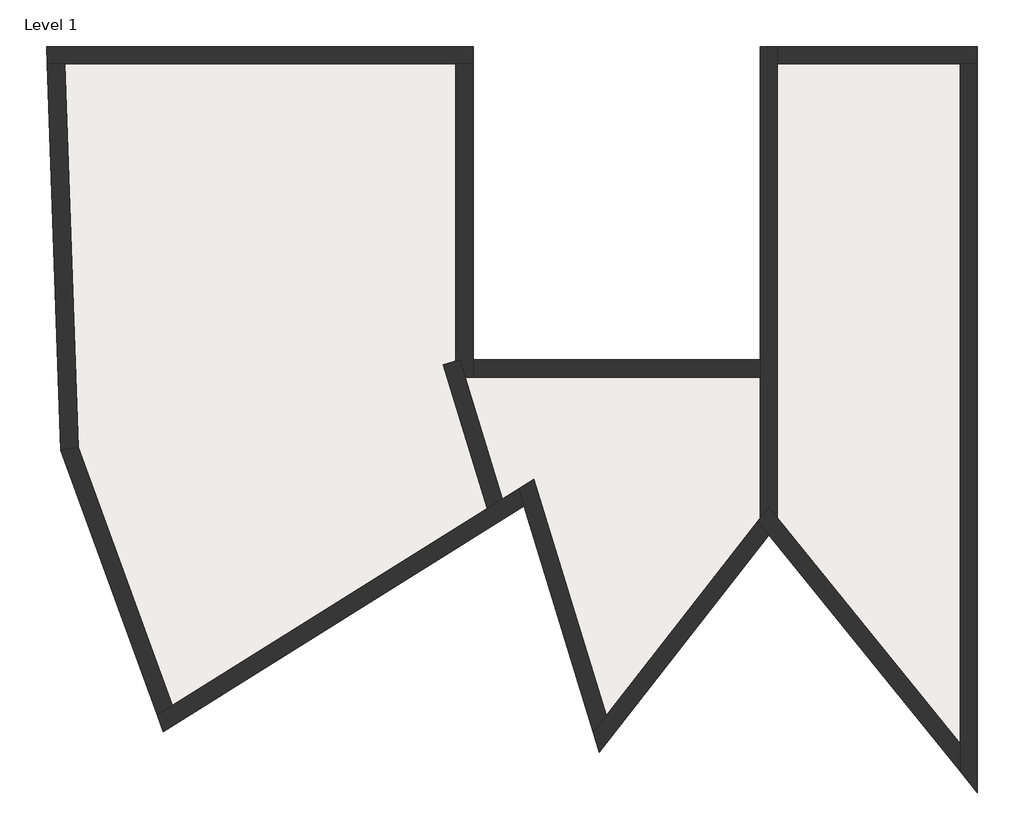
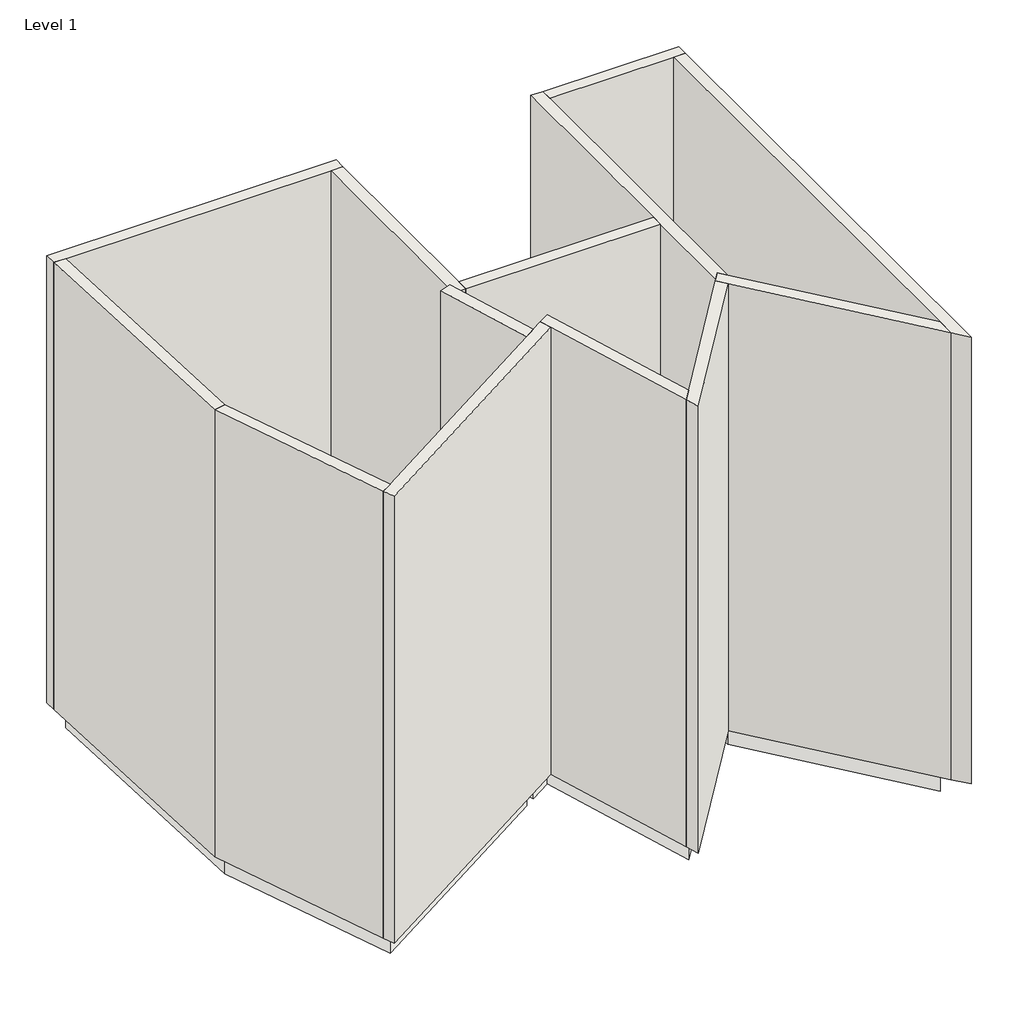
# One storey: 13 walls, 4 slabs.
"""IFC4 building model written with IfcOpenShell, lengths in millimetres."""

from ifc_helpers import new_model, si_unit, frame, origin, origin_with_axes, place, context, project, spatial, polyline, outline, extrude, faceted_brep, element, save

model = new_model("IFC4")

# Units and contexts
model_context = context("Model", 3, world=origin())
ifc_project = project(units=[si_unit("LENGTHUNIT", "METRE", prefix="MILLI")], contexts=[model_context])

# Site, building, storey
site = spatial("IfcSite", under=ifc_project)
building = spatial("IfcBuilding", under=site)
storey = spatial("IfcBuildingStorey", under=building, Name="Level 1", Elevation=0.0)

# Slabs
placement = place(None, origin())
element("IfcSlab", 1, at=placement, inside=storey, context=model_context, shape_type="SweptSolid", body=[
    extrude(outline(polyline([(-13581.4479878, 4738.6879455), (-9085.0343289, 4738.6879455), (-9085.0343289, 1305.6076727), (-9226.6682784, 1278.51249), (-8721.8023041, -372.8297039), (-12345.1652254, -2636.9581442), (-13426.1842956, 333.117341), (-13581.4479878, 4738.6879455)])), frame((0.0, 0.0, -400.0), z_axis=(0.0, 0.0, 1.0), x_axis=(1.0, 0.0, 0.0)), (0.0, 0.0, 1.0), 400.0),
])
element("IfcSlab", 2, at=placement, inside=storey, context=model_context, shape_type="SweptSolid", body=[
    extrude(outline(polyline([(-13581.4479878, 4738.6879455), (-9085.0343289, 4738.6879455), (-9085.0343289, 1305.6076727), (-9226.6682784, 1278.51249), (-8721.8023041, -372.8297039), (-12345.1652254, -2636.9581442), (-13426.1842956, 333.117341), (-13581.4479878, 4738.6879455)])), frame((0.0, 0.0, -400.0), z_axis=(0.0, 0.0, 1.0), x_axis=(1.0, 0.0, 0.0)), (0.0, 0.0, 1.0), 400.0),
])
element("IfcSlab", 3, at=placement, inside=storey, context=model_context, shape_type="SweptSolid", body=[
    extrude(outline(polyline([(-8974.7812738, 1138.6879455), (-5585.0343289, 1138.6879455), (-5585.0343289, -486.6158332), (-7354.1185087, -2750.9403258), (-8183.9349929, -36.7329057), (-8546.2095054, -263.1071455), (-8974.7812738, 1138.6879455)])), frame((0.0, 0.0, -400.0), z_axis=(0.0, 0.0, 1.0), x_axis=(1.0, 0.0, 0.0)), (0.0, 0.0, 1.0), 400.0),
])
element("IfcSlab", 4, at=placement, inside=storey, context=model_context, shape_type="SweptSolid", body=[
    extrude(outline(polyline([(-3285.0343289, -3078.920766), (-5385.0343289, -485.6367372), (-5385.0343289, 4738.6879455), (-3285.0343289, 4738.6879455), (-3285.0343289, -3078.920766)])), frame((0.0, 0.0, -400.0), z_axis=(0.0, 0.0, 1.0), x_axis=(1.0, 0.0, 0.0)), (0.0, 0.0, 1.0), 400.0),
])

# Walls
element("IfcWall", 5, ObjectType="Generic - 200mm", at=placement, inside=storey, context=model_context, shape_type="Brep", body=[
    faceted_brep([(-13781.5721532, 4738.6879455, 0.0), (-13581.4479878, 4738.6879455, 0.0), (-9085.0343289, 4738.6879455, 0.0), (-8885.0343289, 4738.6879455, 0.0), (-8885.0343289, 4738.6879455, 8000.0), (-9085.0343289, 4738.6879455, 8000.0), (-13581.4479878, 4738.6879455, 8000.0), (-13781.5721532, 4738.6879455, 8000.0), (-13788.62067, 4938.6879455, 0.0), (-13788.62067, 4938.6879455, 8000.0), (-8885.0343289, 4938.6879455, 8000.0), (-8885.0343289, 4938.6879455, 0.0)], [[[0, 1, 2, 3, 4, 5, 6, 7]], [[8, 9, 10, 11]], [[3, 2, 1, 0, 8, 11]], [[7, 6, 5, 4, 10, 9]], [[4, 3, 11, 10]], [[0, 7, 9, 8]]]),
])
element("IfcWall", 6, ObjectType="Generic - 200mm", at=placement, inside=storey, context=model_context, shape_type="Brep", body=[
    faceted_brep([(-9085.0343289, 4738.6879455, 0.0), (-9085.0343289, 1138.6879455, 0.0), (-9085.0343289, 1138.6879455, 8000.0), (-9085.0343289, 4738.6879455, 8000.0), (-8885.0343289, 4738.6879455, 0.0), (-8885.0343289, 4738.6879455, 8000.0), (-8885.0343289, 1338.6879455, 8000.0), (-8885.0343289, 1138.6879455, 8000.0), (-8885.0343289, 1138.6879455, 0.0), (-8885.0343289, 1338.6879455, 0.0)], [[[0, 1, 2, 3]], [[4, 5, 6, 7, 8, 9]], [[1, 0, 4, 9, 8]], [[3, 2, 7, 6, 5]], [[0, 3, 5, 4]], [[2, 1, 8, 7]]]),
])
element("IfcWall", 7, ObjectType="Generic - 200mm", at=placement, inside=storey, context=model_context, shape_type="SweptSolid", body=[
    extrude(outline(polyline([(-5585.0343289, 1138.6879455), (-8885.0343289, 1138.6879455), (-8885.0343289, 1338.6879455), (-5585.0343289, 1338.6879455), (-5585.0343289, 1138.6879455)])), origin_with_axes(), (0.0, 0.0, 1.0), 8000.0),
])
element("IfcWall", 8, ObjectType="Generic - 200mm", at=placement, inside=storey, context=model_context, shape_type="Brep", body=[
    faceted_brep([(-5385.0343289, -485.6367372, 0.0), (-5385.0343289, 4738.6879455, 0.0), (-5385.0343289, 4938.6879455, 0.0), (-5385.0343289, 4938.6879455, 8000.0), (-5385.0343289, 4738.6879455, 8000.0), (-5385.0343289, -485.6367372, 8000.0), (-5585.0343289, -486.6158332, 0.0), (-5585.0343289, -486.6158332, 8000.0), (-5585.0343289, 1138.6879455, 8000.0), (-5585.0343289, 1338.6879455, 8000.0), (-5585.0343289, 4938.6879455, 8000.0), (-5585.0343289, 4938.6879455, 0.0), (-5585.0343289, 1338.6879455, 0.0), (-5585.0343289, 1138.6879455, 0.0), (-5486.436149, -360.4159179, 0.0), (-5486.436149, -360.4159179, 8000.0)], [[[0, 1, 2, 3, 4, 5]], [[6, 7, 8, 9, 10, 11, 12, 13]], [[2, 1, 0, 14, 6, 13, 12, 11]], [[5, 4, 3, 10, 9, 8, 7, 15]], [[3, 2, 11, 10]], [[0, 5, 15, 14]], [[15, 7, 6, 14]]]),
])
element("IfcWall", 9, ObjectType="Generic - 200mm", at=placement, inside=storey, context=model_context, shape_type="Brep", body=[
    faceted_brep([(-5385.0343289, 4738.6879455, 0.0), (-3285.0343289, 4738.6879455, 0.0), (-3085.0343289, 4738.6879455, 0.0), (-3085.0343289, 4738.6879455, 8000.0), (-3285.0343289, 4738.6879455, 8000.0), (-5385.0343289, 4738.6879455, 8000.0), (-5385.0343289, 4938.6879455, 0.0), (-5385.0343289, 4938.6879455, 8000.0), (-3085.0343289, 4938.6879455, 8000.0), (-3085.0343289, 4938.6879455, 0.0)], [[[0, 1, 2, 3, 4, 5]], [[6, 7, 8, 9]], [[2, 1, 0, 6, 9]], [[5, 4, 3, 8, 7]], [[0, 5, 7, 6]], [[3, 2, 9, 8]]]),
])
element("IfcWall", 10, ObjectType="Generic - 200mm", at=placement, inside=storey, context=model_context, shape_type="Brep", body=[
    faceted_brep([(-3285.0343289, 4738.6879455, 0.0), (-3285.0343289, -3078.920766, 0.0), (-3285.0343289, -3396.7239118, 0.0), (-3285.0343289, -3396.7239118, 8000.0), (-3285.0343289, -3078.920766, 8000.0), (-3285.0343289, 4738.6879455, 8000.0), (-3085.0343289, 4738.6879455, 0.0), (-3085.0343289, 4738.6879455, 8000.0), (-3085.0343289, -3643.7033431, 8000.0), (-3085.0343289, -3643.7033431, 0.0)], [[[0, 1, 2, 3, 4, 5]], [[6, 7, 8, 9]], [[2, 1, 0, 6, 9]], [[5, 4, 3, 8, 7]], [[0, 5, 7, 6]], [[3, 2, 9, 8]]]),
])
element("IfcWall", 11, ObjectType="Generic - 200mm", at=placement, inside=storey, context=model_context, shape_type="Brep", body=[
    faceted_brep([(-3285.0343289, -3078.920766, 0.0), (-5385.0343289, -485.6367372, 0.0), (-5486.436149, -360.4159179, 0.0), (-5486.436149, -360.4159179, 8000.0), (-5385.0343289, -485.6367372, 8000.0), (-3285.0343289, -3078.920766, 8000.0), (-3285.0343289, -3396.7239118, 0.0), (-3285.0343289, -3396.7239118, 8000.0), (-5483.6325088, -681.6812711, 8000.0), (-5612.8073293, -522.1636526, 8000.0), (-5612.8073293, -522.1636526, 0.0), (-5483.6325088, -681.6812711, 0.0), (-5585.0343289, -486.6158332, 0.0), (-5585.0343289, -486.6158332, 8000.0)], [[[0, 1, 2, 3, 4, 5]], [[6, 7, 8, 9, 10, 11]], [[2, 1, 0, 6, 11, 10, 12]], [[5, 4, 3, 13, 9, 8, 7]], [[0, 5, 7, 6]], [[3, 2, 12, 10, 9, 13]]]),
])
element("IfcWall", 12, ObjectType="Generic - 200mm", at=placement, inside=storey, context=model_context, shape_type="Brep", body=[
    faceted_brep([(-5612.8073293, -522.1636526, 0.0), (-7354.1185087, -2750.9403258, 0.0), (-7504.4352856, -2943.3370265, 0.0), (-7504.4352856, -2943.3370265, 8000.0), (-7354.1185087, -2750.9403258, 8000.0), (-5612.8073293, -522.1636526, 8000.0), (-5483.6325088, -681.6812711, 0.0), (-5483.6325088, -681.6812711, 8000.0), (-7433.0512961, -3176.8235355, 8000.0), (-7433.0512961, -3176.8235355, 0.0)], [[[0, 1, 2, 3, 4, 5]], [[6, 7, 8, 9]], [[2, 1, 0, 6, 9]], [[5, 4, 3, 8, 7]], [[0, 5, 7, 6]], [[3, 2, 9, 8]]]),
])
element("IfcWall", 13, ObjectType="Generic - 200mm", at=placement, inside=storey, context=model_context, shape_type="Brep", body=[
    faceted_brep([(-7354.1185087, -2750.9403258, 0.0), (-8183.9349929, -36.7329057, 0.0), (-8183.9349929, -36.7329057, 8000.0), (-7354.1185087, -2750.9403258, 8000.0), (-7504.4352856, -2943.3370265, 0.0), (-7504.4352856, -2943.3370265, 8000.0), (-8298.9906993, -344.4633711, 8000.0), (-8359.5277917, -146.455464, 8000.0), (-8359.5277917, -146.455464, 0.0), (-8298.9906993, -344.4633711, 0.0)], [[[0, 1, 2, 3]], [[4, 5, 6, 7, 8, 9]], [[1, 0, 4, 9, 8]], [[3, 2, 7, 6, 5]], [[0, 3, 5, 4]], [[2, 1, 8, 7]]]),
])
element("IfcWall", 14, ObjectType="Generic - 200mm", at=placement, inside=storey, context=model_context, shape_type="Brep", body=[
    faceted_brep([(-8359.5277917, -146.455464, 0.0), (-8546.2095054, -263.1071455, 0.0), (-8721.8023041, -372.8297039, 0.0), (-12345.1652254, -2636.9581442, 0.0), (-12518.5640245, -2745.3097394, 0.0), (-12518.5640245, -2745.3097394, 8000.0), (-12345.1652254, -2636.9581442, 8000.0), (-8721.8023041, -372.8297039, 8000.0), (-8546.2095054, -263.1071455, 8000.0), (-8359.5277917, -146.455464, 8000.0), (-8298.9906993, -344.4633711, 0.0), (-8298.9906993, -344.4633711, 8000.0), (-12448.6318091, -2937.446922, 8000.0), (-12448.6318091, -2937.446922, 0.0)], [[[0, 1, 2, 3, 4, 5, 6, 7, 8, 9]], [[10, 11, 12, 13]], [[4, 3, 2, 1, 0, 10, 13]], [[9, 8, 7, 6, 5, 12, 11]], [[0, 9, 11, 10]], [[5, 4, 13, 12]]]),
])
element("IfcWall", 15, ObjectType="Generic - 200mm", at=placement, inside=storey, context=model_context, shape_type="SweptSolid", body=[
    extrude(outline(polyline([(-13426.1842956, 333.117341), (-12345.1652254, -2636.9581442), (-12518.5640245, -2745.3097394), (-13624.9456849, 294.4488899), (-13426.1842956, 333.117341)])), origin_with_axes(), (0.0, 0.0, 1.0), 8000.0),
])
element("IfcWall", 16, ObjectType="Generic - 200mm", at=placement, inside=storey, context=model_context, shape_type="SweptSolid", body=[
    extrude(outline(polyline([(-13581.4479878, 4738.6879455), (-13426.1842956, 333.117341), (-13624.9456849, 294.4488899), (-13781.5721532, 4738.6879455), (-13581.4479878, 4738.6879455)])), origin_with_axes(), (0.0, 0.0, 1.0), 8000.0),
])
element("IfcWall", 17, ObjectType="Generic - 200mm", at=placement, inside=storey, context=model_context, shape_type="SweptSolid", body=[
    extrude(outline(polyline([(-9035.4073272, 1336.9868309), (-8546.2095054, -263.1071455), (-8721.8023041, -372.8297039), (-9226.6682784, 1278.51249), (-9035.4073272, 1336.9868309)])), origin_with_axes(), (0.0, 0.0, 1.0), 8000.0),
])

save(model, "model.ifc")
